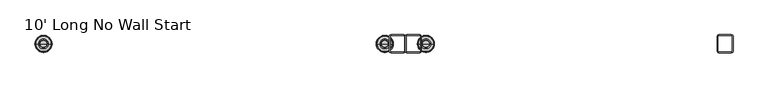
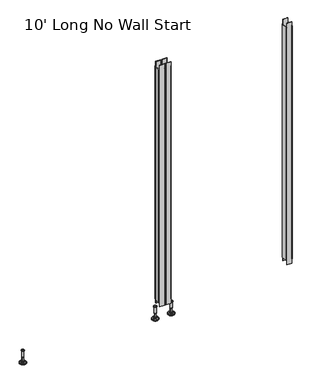
"""IFC4 building model written with IfcOpenShell, lengths in millimetres: furniture geometry, 10' Long No Wall Start."""

from ifc_helpers import new_model, si_unit, frame, origin, place, context, project, spatial, polyline, circle_curve, faceted_brep, source, transform, mapped, element, save
from ifc_brep_helpers import plane_surface, cylinder_surface, revolved_surface, advanced_brep


def furniture_10_long_no_wall_start_4a6857a3(model_context):
    return source(origin(), model_context, "Body", "SolidModel", [
        advanced_brep(
        [(1009.4635677, 0.0, 101.6), (1018.4414891, 0.0, 101.6), (1000.4856463, 0.0, 101.6), (995.3593278, 0.0, 0.0206943), (1023.5678076, 0.0, 0.0206943), (1009.4635677, 0.0, 0.0206943), (990.481296, 0.0, 1.4194474), (1028.4458394, 0.0, 1.4194474), (986.719381, 0.0, 4.7394056), (1032.2077544, 0.0, 4.7394056), (985.6019314, 0.0, 7.5051905), (1033.325204, 0.0, 7.5051905), (985.6019314, 0.0, 8.3065967), (1033.325204, 0.0, 8.3065967), (986.4443346, 0.0, 9.8469348), (1032.4828008, 0.0, 9.8469348), (987.5444772, 0.0, 10.8375077), (1031.3826582, 0.0, 10.8375077), (994.8481724, 0.0, 12.7338946), (1024.078963, 0.0, 12.7338946), (1002.2663238, 0.0, 13.3828987), (1016.6608116, 0.0, 13.3828987), (1002.2663238, 0.0, 14.1772758), (1016.6608116, 0.0, 14.1772758), (1004.6631166, 0.0, 14.1772758), (1014.2640188, 0.0, 14.1772758), (1004.6631166, 0.0, 18.8098403), (1014.2640188, 0.0, 18.8098403), (1003.647264, 0.0, 19.8256929), (1015.2798714, 0.0, 19.8256929), (1003.647264, 0.0, 48.3056352), (1015.2798714, 0.0, 48.3056352), (1002.4237361, 0.0, 49.9293116), (1016.5033993, 0.0, 49.9293116), (1002.4237361, 0.0, 97.327223), (1016.5033993, 0.0, 97.327223), (1001.5426317, 0.0, 97.6479188), (1017.3845037, 0.0, 97.6479188), (1000.4936428, 0.0, 97.6479188), (1018.4334926, 0.0, 97.6479188), (998.8286129, 0.0, 98.6092242), (1020.0985225, 0.0, 98.6092242), (998.8286129, 0.0, 100.6043539), (1020.0985225, 0.0, 100.6043539)],
        [
            (0, 1),
            (1, 2, circle_curve(frame((1009.4635677, 0.0, 101.6), z_axis=(0.0, 0.0, 1.0), x_axis=(1.0, 0.0, 0.0)), 8.9779214)),
            (2, 0),
            (2, 1, circle_curve(frame((1009.4635677, 0.0, 101.6), z_axis=(0.0, 0.0, 1.0), x_axis=(1.0, 0.0, 0.0)), 8.9779214)),
            (3, 4, circle_curve(frame((1009.4635677, 0.0, 0.0206943), z_axis=(0.0, 0.0, -1.0), x_axis=(1.0, 0.0, 0.0)), 14.1042399)),
            (4, 5),
            (5, 3),
            (4, 3, circle_curve(frame((1009.4635677, 0.0, 0.0206943), z_axis=(0.0, 0.0, -1.0), x_axis=(1.0, 0.0, 0.0)), 14.1042399)),
            (6, 7, circle_curve(frame((1009.4635677, 0.0, 1.4194474), z_axis=(0.0, 0.0, -1.0), x_axis=(1.0, 0.0, 0.0)), 18.9822717)),
            (7, 4),
            (3, 6),
            (7, 6, circle_curve(frame((1009.4635677, 0.0, 1.4194474), z_axis=(0.0, 0.0, -1.0), x_axis=(1.0, 0.0, 0.0)), 18.9822717)),
            (8, 9, circle_curve(frame((1009.4635677, 0.0, 4.7394056), z_axis=(0.0, 0.0, -1.0), x_axis=(1.0, 0.0, 0.0)), 22.7441867)),
            (9, 7),
            (6, 8),
            (9, 8, circle_curve(frame((1009.4635677, 0.0, 4.7394056), z_axis=(0.0, 0.0, -1.0), x_axis=(1.0, 0.0, 0.0)), 22.7441867)),
            (10, 11, circle_curve(frame((1009.4635677, 0.0, 7.5051905), z_axis=(0.0, 0.0, -1.0), x_axis=(1.0, 0.0, 0.0)), 23.8616363)),
            (11, 9),
            (8, 10),
            (11, 10, circle_curve(frame((1009.4635677, 0.0, 7.5051905), z_axis=(0.0, 0.0, -1.0), x_axis=(1.0, 0.0, 0.0)), 23.8616363)),
            (12, 13, circle_curve(frame((1009.4635677, 0.0, 8.3065967), z_axis=(0.0, 0.0, -1.0), x_axis=(1.0, 0.0, 0.0)), 23.8616363)),
            (13, 11),
            (10, 12),
            (13, 12, circle_curve(frame((1009.4635677, 0.0, 8.3065967), z_axis=(0.0, 0.0, -1.0), x_axis=(1.0, 0.0, 0.0)), 23.8616363)),
            (14, 15, circle_curve(frame((1009.4635677, 0.0, 9.8469348), z_axis=(0.0, 0.0, -1.0), x_axis=(1.0, 0.0, 0.0)), 23.0192331)),
            (15, 13),
            (12, 14),
            (15, 14, circle_curve(frame((1009.4635677, 0.0, 9.8469348), z_axis=(0.0, 0.0, -1.0), x_axis=(1.0, 0.0, 0.0)), 23.0192331)),
            (16, 17, circle_curve(frame((1009.4635677, 0.0, 10.8375077), z_axis=(0.0, 0.0, -1.0), x_axis=(1.0, 0.0, 0.0)), 21.9190905)),
            (17, 15),
            (14, 16),
            (17, 16, circle_curve(frame((1009.4635677, 0.0, 10.8375077), z_axis=(0.0, 0.0, -1.0), x_axis=(1.0, 0.0, 0.0)), 21.9190905)),
            (18, 19, circle_curve(frame((1009.4635677, 0.0, 12.7338946), z_axis=(0.0, 0.0, -1.0), x_axis=(1.0, 0.0, 0.0)), 14.6153953)),
            (19, 17),
            (16, 18),
            (19, 18, circle_curve(frame((1009.4635677, 0.0, 12.7338946), z_axis=(0.0, 0.0, -1.0), x_axis=(1.0, 0.0, 0.0)), 14.6153953)),
            (20, 21, circle_curve(frame((1009.4635677, 0.0, 13.3828987), z_axis=(0.0, 0.0, -1.0), x_axis=(1.0, 0.0, 0.0)), 7.1972439)),
            (21, 19),
            (18, 20),
            (21, 20, circle_curve(frame((1009.4635677, 0.0, 13.3828987), z_axis=(0.0, 0.0, -1.0), x_axis=(1.0, 0.0, 0.0)), 7.1972439)),
            (22, 23, circle_curve(frame((1009.4635677, 0.0, 14.1772758), z_axis=(0.0, 0.0, -1.0), x_axis=(1.0, 0.0, 0.0)), 7.1972439)),
            (23, 21),
            (20, 22),
            (23, 22, circle_curve(frame((1009.4635677, 0.0, 14.1772758), z_axis=(0.0, 0.0, -1.0), x_axis=(1.0, 0.0, 0.0)), 7.1972439)),
            (24, 25, circle_curve(frame((1009.4635677, 0.0, 14.1772758), z_axis=(0.0, 0.0, -1.0), x_axis=(1.0, 0.0, 0.0)), 4.8004511)),
            (25, 23),
            (22, 24),
            (25, 24, circle_curve(frame((1009.4635677, 0.0, 14.1772758), z_axis=(0.0, 0.0, -1.0), x_axis=(1.0, 0.0, 0.0)), 4.8004511)),
            (26, 27, circle_curve(frame((1009.4635677, 0.0, 18.8098403), z_axis=(0.0, 0.0, -1.0), x_axis=(1.0, 0.0, 0.0)), 4.8004511)),
            (27, 25),
            (24, 26),
            (27, 26, circle_curve(frame((1009.4635677, 0.0, 18.8098403), z_axis=(0.0, 0.0, -1.0), x_axis=(1.0, 0.0, 0.0)), 4.8004511)),
            (28, 29, circle_curve(frame((1009.4635677, 0.0, 19.8256929), z_axis=(0.0, 0.0, -1.0), x_axis=(1.0, 0.0, 0.0)), 5.8163037)),
            (29, 27),
            (26, 28),
            (29, 28, circle_curve(frame((1009.4635677, 0.0, 19.8256929), z_axis=(0.0, 0.0, -1.0), x_axis=(1.0, 0.0, 0.0)), 5.8163037)),
            (30, 31, circle_curve(frame((1009.4635677, 0.0, 48.3056352), z_axis=(0.0, 0.0, -1.0), x_axis=(1.0, 0.0, 0.0)), 5.8163037)),
            (31, 29),
            (28, 30),
            (31, 30, circle_curve(frame((1009.4635677, 0.0, 48.3056352), z_axis=(0.0, 0.0, -1.0), x_axis=(1.0, 0.0, 0.0)), 5.8163037)),
            (32, 33, circle_curve(frame((1009.4635677, 0.0, 49.9293116), z_axis=(0.0, 0.0, -1.0), x_axis=(1.0, 0.0, 0.0)), 7.0398316)),
            (33, 31),
            (30, 32),
            (33, 32, circle_curve(frame((1009.4635677, 0.0, 49.9293116), z_axis=(0.0, 0.0, -1.0), x_axis=(1.0, 0.0, 0.0)), 7.0398316)),
            (34, 35, circle_curve(frame((1009.4635677, 0.0, 97.327223), z_axis=(0.0, 0.0, -1.0), x_axis=(1.0, 0.0, 0.0)), 7.0398316)),
            (35, 33),
            (32, 34),
            (35, 34, circle_curve(frame((1009.4635677, 0.0, 97.327223), z_axis=(0.0, 0.0, -1.0), x_axis=(1.0, 0.0, 0.0)), 7.0398316)),
            (36, 37, circle_curve(frame((1009.4635677, 0.0, 97.6479188), z_axis=(0.0, 0.0, -1.0), x_axis=(1.0, 0.0, 0.0)), 7.920936)),
            (37, 35),
            (34, 36),
            (37, 36, circle_curve(frame((1009.4635677, 0.0, 97.6479188), z_axis=(0.0, 0.0, -1.0), x_axis=(1.0, 0.0, 0.0)), 7.920936)),
            (38, 39, circle_curve(frame((1009.4635677, 0.0, 97.6479188), z_axis=(0.0, 0.0, -1.0), x_axis=(1.0, 0.0, 0.0)), 8.9699249)),
            (39, 37),
            (36, 38),
            (39, 38, circle_curve(frame((1009.4635677, 0.0, 97.6479188), z_axis=(0.0, 0.0, -1.0), x_axis=(1.0, 0.0, 0.0)), 8.9699249)),
            (40, 41, circle_curve(frame((1009.4635677, 0.0, 98.6092242), z_axis=(0.0, 0.0, -1.0), x_axis=(1.0, 0.0, 0.0)), 10.6349548)),
            (41, 39),
            (38, 40),
            (41, 40, circle_curve(frame((1009.4635677, 0.0, 98.6092242), z_axis=(0.0, 0.0, -1.0), x_axis=(1.0, 0.0, 0.0)), 10.6349548)),
            (42, 43, circle_curve(frame((1009.4635677, 0.0, 100.6043539), z_axis=(0.0, 0.0, -1.0), x_axis=(1.0, 0.0, 0.0)), 10.6349548)),
            (43, 41),
            (40, 42),
            (43, 42, circle_curve(frame((1009.4635677, 0.0, 100.6043539), z_axis=(0.0, 0.0, -1.0), x_axis=(1.0, 0.0, 0.0)), 10.6349548)),
            (1, 43),
            (42, 2),
        ],
        [
            plane_surface(frame((1009.4635677, 0.0, 101.6), z_axis=(0.0, 0.0, 1.0), x_axis=(1.0, 0.0, 0.0))),
            plane_surface(frame((1009.4635677, 0.0, 0.0206943), z_axis=(0.0, 0.0, -1.0), x_axis=(1.0, 0.0, 0.0))),
            revolved_surface(polyline([(1023.5678076, 0.0, 0.0206943), (1028.4458394, 0.0, 1.4194474)]), (1009.4635677, 0.0, 101.6), (0.0, 0.0, 1.0)),
            revolved_surface(polyline([(1028.4458394, 0.0, 1.4194474), (1032.2077544, 0.0, 4.7394056)]), (1009.4635677, 0.0, 101.6), (0.0, 0.0, 1.0)),
            revolved_surface(polyline([(1032.2077544, 0.0, 4.7394056), (1033.325204, 0.0, 7.5051905)]), (1009.4635677, 0.0, 101.6), (0.0, 0.0, 1.0)),
            cylinder_surface(frame((1009.4635677, 0.0, 101.6), z_axis=(0.0, 0.0, 1.0), x_axis=(1.0, 0.0, 0.0)), 23.8616363),
            revolved_surface(polyline([(1033.325204, 0.0, 8.3065967), (1032.4828008, 0.0, 9.8469348)]), (1009.4635677, 0.0, 101.6), (0.0, 0.0, 1.0)),
            revolved_surface(polyline([(1032.4828008, 0.0, 9.8469348), (1031.3826582, 0.0, 10.8375077)]), (1009.4635677, 0.0, 101.6), (0.0, 0.0, 1.0)),
            revolved_surface(polyline([(1031.3826582, 0.0, 10.8375077), (1024.078963, 0.0, 12.7338946)]), (1009.4635677, 0.0, 101.6), (0.0, 0.0, 1.0)),
            revolved_surface(polyline([(1024.078963, 0.0, 12.7338946), (1016.6608116, 0.0, 13.3828987)]), (1009.4635677, 0.0, 101.6), (0.0, 0.0, 1.0)),
            cylinder_surface(frame((1009.4635677, 0.0, 101.6), z_axis=(0.0, 0.0, 1.0), x_axis=(1.0, 0.0, 0.0)), 7.1972439),
            plane_surface(frame((1009.4635677, 0.0, 14.1772758), z_axis=(0.0, 0.0, 1.0), x_axis=(1.0, 0.0, 0.0))),
            cylinder_surface(frame((1009.4635677, 0.0, 101.6), z_axis=(0.0, 0.0, 1.0), x_axis=(1.0, 0.0, 0.0)), 4.8004511),
            revolved_surface(polyline([(1014.2640188, 0.0, 18.8098403), (1015.2798714, 0.0, 19.8256929)]), (1009.4635677, 0.0, 101.6), (0.0, 0.0, 1.0)),
            cylinder_surface(frame((1009.4635677, 0.0, 101.6), z_axis=(0.0, 0.0, 1.0), x_axis=(1.0, 0.0, 0.0)), 5.8163037),
            revolved_surface(polyline([(1015.2798714, 0.0, 48.3056352), (1016.5033993, 0.0, 49.9293116)]), (1009.4635677, 0.0, 101.6), (0.0, 0.0, 1.0)),
            cylinder_surface(frame((1009.4635677, 0.0, 101.6), z_axis=(0.0, 0.0, 1.0), x_axis=(1.0, 0.0, 0.0)), 7.0398316),
            revolved_surface(polyline([(1016.5033993, 0.0, 97.327223), (1017.3845037, 0.0, 97.6479188)]), (1009.4635677, 0.0, 101.6), (0.0, 0.0, 1.0)),
            plane_surface(frame((1009.4635677, 0.0, 97.6479188), z_axis=(0.0, 0.0, -1.0), x_axis=(1.0, 0.0, 0.0))),
            revolved_surface(polyline([(1018.4334926, 0.0, 97.6479188), (1020.0985225, 0.0, 98.6092242)]), (1009.4635677, 0.0, 101.6), (0.0, 0.0, 1.0)),
            cylinder_surface(frame((1009.4635677, 0.0, 101.6), z_axis=(0.0, 0.0, 1.0), x_axis=(1.0, 0.0, 0.0)), 10.6349548),
            revolved_surface(polyline([(1020.0985225, 0.0, 100.6043539), (1018.4414891, 0.0, 101.6)]), (1009.4635677, 0.0, 101.6), (0.0, 0.0, 1.0)),
        ],
        [
            (0, [[1, 2, 3]]),
            (0, [[-3, 4, -1]]),
            (1, [[5, 6, 7]]),
            (1, [[8, -7, -6]]),
            (2, [[9, 10, -5, 11]]),
            (2, [[12, -11, -8, -10]]),
            (3, [[13, 14, -9, 15]]),
            (3, [[16, -15, -12, -14]]),
            (4, [[17, 18, -13, 19]]),
            (4, [[20, -19, -16, -18]]),
            (5, [[21, 22, -17, 23]]),
            (5, [[24, -23, -20, -22]]),
            (6, [[25, 26, -21, 27]]),
            (6, [[28, -27, -24, -26]]),
            (7, [[29, 30, -25, 31]]),
            (7, [[32, -31, -28, -30]]),
            (8, [[33, 34, -29, 35]]),
            (8, [[36, -35, -32, -34]]),
            (9, [[37, 38, -33, 39]]),
            (9, [[40, -39, -36, -38]]),
            (10, [[41, 42, -37, 43]]),
            (10, [[44, -43, -40, -42]]),
            (11, [[45, 46, -41, 47]]),
            (11, [[48, -47, -44, -46]]),
            (12, [[49, 50, -45, 51]]),
            (12, [[52, -51, -48, -50]]),
            (13, [[53, 54, -49, 55]]),
            (13, [[56, -55, -52, -54]]),
            (14, [[57, 58, -53, 59]]),
            (14, [[60, -59, -56, -58]]),
            (15, [[61, 62, -57, 63]]),
            (15, [[64, -63, -60, -62]]),
            (16, [[65, 66, -61, 67]]),
            (16, [[68, -67, -64, -66]]),
            (17, [[69, 70, -65, 71]]),
            (17, [[72, -71, -68, -70]]),
            (18, [[73, 74, -69, 75]]),
            (18, [[76, -75, -72, -74]]),
            (19, [[77, 78, -73, 79]]),
            (19, [[80, -79, -76, -78]]),
            (20, [[81, 82, -77, 83]]),
            (20, [[84, -83, -80, -82]]),
            (21, [[-2, 85, -81, 86]]),
            (21, [[-4, -86, -84, -85]]),
        ],
    ),
        advanced_brep(
        [(1124.1364323, 0.0, 101.6), (1133.1143537, 0.0, 101.6), (1115.1585109, 0.0, 101.6), (1138.2406722, 0.0, 0.0206943), (1124.1364323, 0.0, 0.0206943), (1110.0321924, 0.0, 0.0206943), (1143.118704, 0.0, 1.4194474), (1105.1541606, 0.0, 1.4194474), (1146.880619, 0.0, 4.7394056), (1101.3922456, 0.0, 4.7394056), (1147.9980686, 0.0, 7.5051905), (1100.274796, 0.0, 7.5051905), (1147.9980686, 0.0, 8.3065967), (1100.274796, 0.0, 8.3065967), (1147.1556654, 0.0, 9.8469348), (1101.1171992, 0.0, 9.8469348), (1146.0555228, 0.0, 10.8375077), (1102.2173418, 0.0, 10.8375077), (1138.7518276, 0.0, 12.7338946), (1109.521037, 0.0, 12.7338946), (1131.3336762, 0.0, 13.3828987), (1116.9391884, 0.0, 13.3828987), (1131.3336762, 0.0, 14.1772758), (1116.9391884, 0.0, 14.1772758), (1128.9368834, 0.0, 14.1772758), (1119.3359812, 0.0, 14.1772758), (1128.9368834, 0.0, 18.8098403), (1119.3359812, 0.0, 18.8098403), (1129.952736, 0.0, 19.8256929), (1118.3201286, 0.0, 19.8256929), (1129.952736, 0.0, 48.3056352), (1118.3201286, 0.0, 48.3056352), (1131.1762639, 0.0, 49.9293116), (1117.0966007, 0.0, 49.9293116), (1131.1762639, 0.0, 97.327223), (1117.0966007, 0.0, 97.327223), (1132.0573683, 0.0, 97.6479188), (1116.2154963, 0.0, 97.6479188), (1133.1063572, 0.0, 97.6479188), (1115.1665074, 0.0, 97.6479188), (1134.7713871, 0.0, 98.6092242), (1113.5014775, 0.0, 98.6092242), (1134.7713871, 0.0, 100.6043539), (1113.5014775, 0.0, 100.6043539)],
        [
            (0, 1),
            (1, 2, circle_curve(frame((1124.1364323, 0.0, 101.6), z_axis=(0.0, 0.0, 1.0), x_axis=(-1.0, 0.0, 0.0)), 8.9779214)),
            (2, 0),
            (2, 1, circle_curve(frame((1124.1364323, 0.0, 101.6), z_axis=(0.0, 0.0, 1.0), x_axis=(-1.0, 0.0, 0.0)), 8.9779214)),
            (3, 4),
            (4, 5),
            (5, 3, circle_curve(frame((1124.1364323, 0.0, 0.0206943), z_axis=(0.0, 0.0, -1.0), x_axis=(-1.0, 0.0, 0.0)), 14.1042399)),
            (3, 5, circle_curve(frame((1124.1364323, 0.0, 0.0206943), z_axis=(0.0, 0.0, -1.0), x_axis=(-1.0, 0.0, 0.0)), 14.1042399)),
            (6, 3),
            (5, 7),
            (7, 6, circle_curve(frame((1124.1364323, 0.0, 1.4194474), z_axis=(0.0, 0.0, -1.0), x_axis=(-1.0, 0.0, 0.0)), 18.9822717)),
            (6, 7, circle_curve(frame((1124.1364323, 0.0, 1.4194474), z_axis=(0.0, 0.0, -1.0), x_axis=(-1.0, 0.0, 0.0)), 18.9822717)),
            (8, 6),
            (7, 9),
            (9, 8, circle_curve(frame((1124.1364323, 0.0, 4.7394056), z_axis=(0.0, 0.0, -1.0), x_axis=(-1.0, 0.0, 0.0)), 22.7441867)),
            (8, 9, circle_curve(frame((1124.1364323, 0.0, 4.7394056), z_axis=(0.0, 0.0, -1.0), x_axis=(-1.0, 0.0, 0.0)), 22.7441867)),
            (10, 8),
            (9, 11),
            (11, 10, circle_curve(frame((1124.1364323, 0.0, 7.5051905), z_axis=(0.0, 0.0, -1.0), x_axis=(-1.0, 0.0, 0.0)), 23.8616363)),
            (10, 11, circle_curve(frame((1124.1364323, 0.0, 7.5051905), z_axis=(0.0, 0.0, -1.0), x_axis=(-1.0, 0.0, 0.0)), 23.8616363)),
            (12, 10),
            (11, 13),
            (13, 12, circle_curve(frame((1124.1364323, 0.0, 8.3065967), z_axis=(0.0, 0.0, -1.0), x_axis=(-1.0, 0.0, 0.0)), 23.8616363)),
            (12, 13, circle_curve(frame((1124.1364323, 0.0, 8.3065967), z_axis=(0.0, 0.0, -1.0), x_axis=(-1.0, 0.0, 0.0)), 23.8616363)),
            (14, 12),
            (13, 15),
            (15, 14, circle_curve(frame((1124.1364323, 0.0, 9.8469348), z_axis=(0.0, 0.0, -1.0), x_axis=(-1.0, 0.0, 0.0)), 23.0192331)),
            (14, 15, circle_curve(frame((1124.1364323, 0.0, 9.8469348), z_axis=(0.0, 0.0, -1.0), x_axis=(-1.0, 0.0, 0.0)), 23.0192331)),
            (16, 14),
            (15, 17),
            (17, 16, circle_curve(frame((1124.1364323, 0.0, 10.8375077), z_axis=(0.0, 0.0, -1.0), x_axis=(-1.0, 0.0, 0.0)), 21.9190905)),
            (16, 17, circle_curve(frame((1124.1364323, 0.0, 10.8375077), z_axis=(0.0, 0.0, -1.0), x_axis=(-1.0, 0.0, 0.0)), 21.9190905)),
            (18, 16),
            (17, 19),
            (19, 18, circle_curve(frame((1124.1364323, 0.0, 12.7338946), z_axis=(0.0, 0.0, -1.0), x_axis=(-1.0, 0.0, 0.0)), 14.6153953)),
            (18, 19, circle_curve(frame((1124.1364323, 0.0, 12.7338946), z_axis=(0.0, 0.0, -1.0), x_axis=(-1.0, 0.0, 0.0)), 14.6153953)),
            (20, 18),
            (19, 21),
            (21, 20, circle_curve(frame((1124.1364323, 0.0, 13.3828987), z_axis=(0.0, 0.0, -1.0), x_axis=(-1.0, 0.0, 0.0)), 7.1972439)),
            (20, 21, circle_curve(frame((1124.1364323, 0.0, 13.3828987), z_axis=(0.0, 0.0, -1.0), x_axis=(-1.0, 0.0, 0.0)), 7.1972439)),
            (22, 20),
            (21, 23),
            (23, 22, circle_curve(frame((1124.1364323, 0.0, 14.1772758), z_axis=(0.0, 0.0, -1.0), x_axis=(-1.0, 0.0, 0.0)), 7.1972439)),
            (22, 23, circle_curve(frame((1124.1364323, 0.0, 14.1772758), z_axis=(0.0, 0.0, -1.0), x_axis=(-1.0, 0.0, 0.0)), 7.1972439)),
            (24, 22),
            (23, 25),
            (25, 24, circle_curve(frame((1124.1364323, 0.0, 14.1772758), z_axis=(0.0, 0.0, -1.0), x_axis=(-1.0, 0.0, 0.0)), 4.8004511)),
            (24, 25, circle_curve(frame((1124.1364323, 0.0, 14.1772758), z_axis=(0.0, 0.0, -1.0), x_axis=(-1.0, 0.0, 0.0)), 4.8004511)),
            (26, 24),
            (25, 27),
            (27, 26, circle_curve(frame((1124.1364323, 0.0, 18.8098403), z_axis=(0.0, 0.0, -1.0), x_axis=(-1.0, 0.0, 0.0)), 4.8004511)),
            (26, 27, circle_curve(frame((1124.1364323, 0.0, 18.8098403), z_axis=(0.0, 0.0, -1.0), x_axis=(-1.0, 0.0, 0.0)), 4.8004511)),
            (28, 26),
            (27, 29),
            (29, 28, circle_curve(frame((1124.1364323, 0.0, 19.8256929), z_axis=(0.0, 0.0, -1.0), x_axis=(-1.0, 0.0, 0.0)), 5.8163037)),
            (28, 29, circle_curve(frame((1124.1364323, 0.0, 19.8256929), z_axis=(0.0, 0.0, -1.0), x_axis=(-1.0, 0.0, 0.0)), 5.8163037)),
            (30, 28),
            (29, 31),
            (31, 30, circle_curve(frame((1124.1364323, 0.0, 48.3056352), z_axis=(0.0, 0.0, -1.0), x_axis=(-1.0, 0.0, 0.0)), 5.8163037)),
            (30, 31, circle_curve(frame((1124.1364323, 0.0, 48.3056352), z_axis=(0.0, 0.0, -1.0), x_axis=(-1.0, 0.0, 0.0)), 5.8163037)),
            (32, 30),
            (31, 33),
            (33, 32, circle_curve(frame((1124.1364323, 0.0, 49.9293116), z_axis=(0.0, 0.0, -1.0), x_axis=(-1.0, 0.0, 0.0)), 7.0398316)),
            (32, 33, circle_curve(frame((1124.1364323, 0.0, 49.9293116), z_axis=(0.0, 0.0, -1.0), x_axis=(-1.0, 0.0, 0.0)), 7.0398316)),
            (34, 32),
            (33, 35),
            (35, 34, circle_curve(frame((1124.1364323, 0.0, 97.327223), z_axis=(0.0, 0.0, -1.0), x_axis=(-1.0, 0.0, 0.0)), 7.0398316)),
            (34, 35, circle_curve(frame((1124.1364323, 0.0, 97.327223), z_axis=(0.0, 0.0, -1.0), x_axis=(-1.0, 0.0, 0.0)), 7.0398316)),
            (36, 34),
            (35, 37),
            (37, 36, circle_curve(frame((1124.1364323, 0.0, 97.6479188), z_axis=(0.0, 0.0, -1.0), x_axis=(-1.0, 0.0, 0.0)), 7.920936)),
            (36, 37, circle_curve(frame((1124.1364323, 0.0, 97.6479188), z_axis=(0.0, 0.0, -1.0), x_axis=(-1.0, 0.0, 0.0)), 7.920936)),
            (38, 36),
            (37, 39),
            (39, 38, circle_curve(frame((1124.1364323, 0.0, 97.6479188), z_axis=(0.0, 0.0, -1.0), x_axis=(-1.0, 0.0, 0.0)), 8.9699249)),
            (38, 39, circle_curve(frame((1124.1364323, 0.0, 97.6479188), z_axis=(0.0, 0.0, -1.0), x_axis=(-1.0, 0.0, 0.0)), 8.9699249)),
            (40, 38),
            (39, 41),
            (41, 40, circle_curve(frame((1124.1364323, 0.0, 98.6092242), z_axis=(0.0, 0.0, -1.0), x_axis=(-1.0, 0.0, 0.0)), 10.6349548)),
            (40, 41, circle_curve(frame((1124.1364323, 0.0, 98.6092242), z_axis=(0.0, 0.0, -1.0), x_axis=(-1.0, 0.0, 0.0)), 10.6349548)),
            (42, 40),
            (41, 43),
            (43, 42, circle_curve(frame((1124.1364323, 0.0, 100.6043539), z_axis=(0.0, 0.0, -1.0), x_axis=(-1.0, 0.0, 0.0)), 10.6349548)),
            (42, 43, circle_curve(frame((1124.1364323, 0.0, 100.6043539), z_axis=(0.0, 0.0, -1.0), x_axis=(-1.0, 0.0, 0.0)), 10.6349548)),
            (1, 42),
            (43, 2),
        ],
        [
            plane_surface(frame((1124.1364323, 0.0, 101.6), z_axis=(0.0, 0.0, 1.0), x_axis=(-1.0, 0.0, 0.0))),
            plane_surface(frame((1124.1364323, 0.0, 0.0206943), z_axis=(0.0, 0.0, -1.0), x_axis=(-1.0, 0.0, 0.0))),
            revolved_surface(polyline([(1110.0321924, 0.0, 0.0206943), (1105.1541606, 0.0, 1.4194474)]), (1124.1364323, 0.0, 101.6), (0.0, 0.0, 1.0)),
            revolved_surface(polyline([(1105.1541606, 0.0, 1.4194474), (1101.3922456, 0.0, 4.7394056)]), (1124.1364323, 0.0, 101.6), (0.0, 0.0, 1.0)),
            revolved_surface(polyline([(1101.3922456, 0.0, 4.7394056), (1100.274796, 0.0, 7.5051905)]), (1124.1364323, 0.0, 101.6), (0.0, 0.0, 1.0)),
            cylinder_surface(frame((1124.1364323, 0.0, 101.6), z_axis=(0.0, 0.0, 1.0), x_axis=(-1.0, 0.0, 0.0)), 23.8616363),
            revolved_surface(polyline([(1100.274796, 0.0, 8.3065967), (1101.1171992, 0.0, 9.8469348)]), (1124.1364323, 0.0, 101.6), (0.0, 0.0, 1.0)),
            revolved_surface(polyline([(1101.1171992, 0.0, 9.8469348), (1102.2173418, 0.0, 10.8375077)]), (1124.1364323, 0.0, 101.6), (0.0, 0.0, 1.0)),
            revolved_surface(polyline([(1102.2173418, 0.0, 10.8375077), (1109.521037, 0.0, 12.7338946)]), (1124.1364323, 0.0, 101.6), (0.0, 0.0, 1.0)),
            revolved_surface(polyline([(1109.521037, 0.0, 12.7338946), (1116.9391884, 0.0, 13.3828987)]), (1124.1364323, 0.0, 101.6), (0.0, 0.0, 1.0)),
            cylinder_surface(frame((1124.1364323, 0.0, 101.6), z_axis=(0.0, 0.0, 1.0), x_axis=(-1.0, 0.0, 0.0)), 7.1972439),
            plane_surface(frame((1124.1364323, 0.0, 14.1772758), z_axis=(0.0, 0.0, 1.0), x_axis=(-1.0, 0.0, 0.0))),
            cylinder_surface(frame((1124.1364323, 0.0, 101.6), z_axis=(0.0, 0.0, 1.0), x_axis=(-1.0, 0.0, 0.0)), 4.8004511),
            revolved_surface(polyline([(1119.3359812, 0.0, 18.8098403), (1118.3201286, 0.0, 19.8256929)]), (1124.1364323, 0.0, 101.6), (0.0, 0.0, 1.0)),
            cylinder_surface(frame((1124.1364323, 0.0, 101.6), z_axis=(0.0, 0.0, 1.0), x_axis=(-1.0, 0.0, 0.0)), 5.8163037),
            revolved_surface(polyline([(1118.3201286, 0.0, 48.3056352), (1117.0966007, 0.0, 49.9293116)]), (1124.1364323, 0.0, 101.6), (0.0, 0.0, 1.0)),
            cylinder_surface(frame((1124.1364323, 0.0, 101.6), z_axis=(0.0, 0.0, 1.0), x_axis=(-1.0, 0.0, 0.0)), 7.0398316),
            revolved_surface(polyline([(1117.0966007, 0.0, 97.327223), (1116.2154963, 0.0, 97.6479188)]), (1124.1364323, 0.0, 101.6), (0.0, 0.0, 1.0)),
            plane_surface(frame((1124.1364323, 0.0, 97.6479188), z_axis=(0.0, 0.0, -1.0), x_axis=(-1.0, 0.0, 0.0))),
            revolved_surface(polyline([(1115.1665074, 0.0, 97.6479188), (1113.5014775, 0.0, 98.6092242)]), (1124.1364323, 0.0, 101.6), (0.0, 0.0, 1.0)),
            cylinder_surface(frame((1124.1364323, 0.0, 101.6), z_axis=(0.0, 0.0, 1.0), x_axis=(-1.0, 0.0, 0.0)), 10.6349548),
            revolved_surface(polyline([(1113.5014775, 0.0, 100.6043539), (1115.1585109, 0.0, 101.6)]), (1124.1364323, 0.0, 101.6), (0.0, 0.0, 1.0)),
        ],
        [
            (0, [[1, 2, 3]]),
            (0, [[-3, 4, -1]]),
            (1, [[5, 6, 7]]),
            (1, [[-6, -5, 8]]),
            (2, [[9, -7, 10, 11]]),
            (2, [[-10, -8, -9, 12]]),
            (3, [[13, -11, 14, 15]]),
            (3, [[-14, -12, -13, 16]]),
            (4, [[17, -15, 18, 19]]),
            (4, [[-18, -16, -17, 20]]),
            (5, [[21, -19, 22, 23]]),
            (5, [[-22, -20, -21, 24]]),
            (6, [[25, -23, 26, 27]]),
            (6, [[-26, -24, -25, 28]]),
            (7, [[29, -27, 30, 31]]),
            (7, [[-30, -28, -29, 32]]),
            (8, [[33, -31, 34, 35]]),
            (8, [[-34, -32, -33, 36]]),
            (9, [[37, -35, 38, 39]]),
            (9, [[-38, -36, -37, 40]]),
            (10, [[41, -39, 42, 43]]),
            (10, [[-42, -40, -41, 44]]),
            (11, [[45, -43, 46, 47]]),
            (11, [[-46, -44, -45, 48]]),
            (12, [[49, -47, 50, 51]]),
            (12, [[-50, -48, -49, 52]]),
            (13, [[53, -51, 54, 55]]),
            (13, [[-54, -52, -53, 56]]),
            (14, [[57, -55, 58, 59]]),
            (14, [[-58, -56, -57, 60]]),
            (15, [[61, -59, 62, 63]]),
            (15, [[-62, -60, -61, 64]]),
            (16, [[65, -63, 66, 67]]),
            (16, [[-66, -64, -65, 68]]),
            (17, [[69, -67, 70, 71]]),
            (17, [[-70, -68, -69, 72]]),
            (18, [[73, -71, 74, 75]]),
            (18, [[-74, -72, -73, 76]]),
            (19, [[77, -75, 78, 79]]),
            (19, [[-78, -76, -77, 80]]),
            (20, [[81, -79, 82, 83]]),
            (20, [[-82, -80, -81, 84]]),
            (21, [[85, -83, 86, -2]]),
            (21, [[-86, -84, -85, -4]]),
        ],
    ),
        advanced_brep(
        [(57.0627865, 0.0, 101.6), (66.0407079, 0.0, 101.6), (48.084865, 0.0, 101.6), (42.9585465, 0.0, 0.0206943), (71.1670264, 0.0, 0.0206943), (57.0627865, 0.0, 0.0206943), (38.0805148, 0.0, 1.4194474), (76.0450581, 0.0, 1.4194474), (34.3185997, 0.0, 4.7394056), (79.8069732, 0.0, 4.7394056), (33.2011501, 0.0, 7.5051905), (80.9244228, 0.0, 7.5051905), (33.2011501, 0.0, 8.3065967), (80.9244228, 0.0, 8.3065967), (34.0435533, 0.0, 9.8469348), (80.0820196, 0.0, 9.8469348), (35.143696, 0.0, 10.8375077), (78.9818769, 0.0, 10.8375077), (42.4473912, 0.0, 12.7338946), (71.6781817, 0.0, 12.7338946), (49.8655426, 0.0, 13.3828987), (64.2600304, 0.0, 13.3828987), (49.8655426, 0.0, 14.1772758), (64.2600304, 0.0, 14.1772758), (52.2623354, 0.0, 14.1772758), (61.8632375, 0.0, 14.1772758), (52.2623354, 0.0, 18.8098403), (61.8632375, 0.0, 18.8098403), (51.2464827, 0.0, 19.8256929), (62.8790902, 0.0, 19.8256929), (51.2464827, 0.0, 48.3056352), (62.8790902, 0.0, 48.3056352), (50.0229548, 0.0, 49.9293116), (64.1026181, 0.0, 49.9293116), (50.0229548, 0.0, 97.327223), (64.1026181, 0.0, 97.327223), (49.1418505, 0.0, 97.6479188), (64.9837224, 0.0, 97.6479188), (48.0928615, 0.0, 97.6479188), (66.0327114, 0.0, 97.6479188), (46.4278316, 0.0, 98.6092242), (67.6977413, 0.0, 98.6092242), (46.4278316, 0.0, 100.6043539), (67.6977413, 0.0, 100.6043539)],
        [
            (0, 1),
            (1, 2, circle_curve(frame((57.0627865, 0.0, 101.6), z_axis=(0.0, 0.0, 1.0), x_axis=(1.0, 0.0, 0.0)), 8.9779214)),
            (2, 0),
            (2, 1, circle_curve(frame((57.0627865, 0.0, 101.6), z_axis=(0.0, 0.0, 1.0), x_axis=(1.0, 0.0, 0.0)), 8.9779214)),
            (3, 4, circle_curve(frame((57.0627865, 0.0, 0.0206943), z_axis=(0.0, 0.0, -1.0), x_axis=(1.0, 0.0, 0.0)), 14.1042399)),
            (4, 5),
            (5, 3),
            (4, 3, circle_curve(frame((57.0627865, 0.0, 0.0206943), z_axis=(0.0, 0.0, -1.0), x_axis=(1.0, 0.0, 0.0)), 14.1042399)),
            (6, 7, circle_curve(frame((57.0627865, 0.0, 1.4194474), z_axis=(0.0, 0.0, -1.0), x_axis=(1.0, 0.0, 0.0)), 18.9822717)),
            (7, 4),
            (3, 6),
            (7, 6, circle_curve(frame((57.0627865, 0.0, 1.4194474), z_axis=(0.0, 0.0, -1.0), x_axis=(1.0, 0.0, 0.0)), 18.9822717)),
            (8, 9, circle_curve(frame((57.0627865, 0.0, 4.7394056), z_axis=(0.0, 0.0, -1.0), x_axis=(1.0, 0.0, 0.0)), 22.7441867)),
            (9, 7),
            (6, 8),
            (9, 8, circle_curve(frame((57.0627865, 0.0, 4.7394056), z_axis=(0.0, 0.0, -1.0), x_axis=(1.0, 0.0, 0.0)), 22.7441867)),
            (10, 11, circle_curve(frame((57.0627865, 0.0, 7.5051905), z_axis=(0.0, 0.0, -1.0), x_axis=(1.0, 0.0, 0.0)), 23.8616363)),
            (11, 9),
            (8, 10),
            (11, 10, circle_curve(frame((57.0627865, 0.0, 7.5051905), z_axis=(0.0, 0.0, -1.0), x_axis=(1.0, 0.0, 0.0)), 23.8616363)),
            (12, 13, circle_curve(frame((57.0627865, 0.0, 8.3065967), z_axis=(0.0, 0.0, -1.0), x_axis=(1.0, 0.0, 0.0)), 23.8616363)),
            (13, 11),
            (10, 12),
            (13, 12, circle_curve(frame((57.0627865, 0.0, 8.3065967), z_axis=(0.0, 0.0, -1.0), x_axis=(1.0, 0.0, 0.0)), 23.8616363)),
            (14, 15, circle_curve(frame((57.0627865, 0.0, 9.8469348), z_axis=(0.0, 0.0, -1.0), x_axis=(1.0, 0.0, 0.0)), 23.0192331)),
            (15, 13),
            (12, 14),
            (15, 14, circle_curve(frame((57.0627865, 0.0, 9.8469348), z_axis=(0.0, 0.0, -1.0), x_axis=(1.0, 0.0, 0.0)), 23.0192331)),
            (16, 17, circle_curve(frame((57.0627865, 0.0, 10.8375077), z_axis=(0.0, 0.0, -1.0), x_axis=(1.0, 0.0, 0.0)), 21.9190905)),
            (17, 15),
            (14, 16),
            (17, 16, circle_curve(frame((57.0627865, 0.0, 10.8375077), z_axis=(0.0, 0.0, -1.0), x_axis=(1.0, 0.0, 0.0)), 21.9190905)),
            (18, 19, circle_curve(frame((57.0627865, 0.0, 12.7338946), z_axis=(0.0, 0.0, -1.0), x_axis=(1.0, 0.0, 0.0)), 14.6153953)),
            (19, 17),
            (16, 18),
            (19, 18, circle_curve(frame((57.0627865, 0.0, 12.7338946), z_axis=(0.0, 0.0, -1.0), x_axis=(1.0, 0.0, 0.0)), 14.6153953)),
            (20, 21, circle_curve(frame((57.0627865, 0.0, 13.3828987), z_axis=(0.0, 0.0, -1.0), x_axis=(1.0, 0.0, 0.0)), 7.1972439)),
            (21, 19),
            (18, 20),
            (21, 20, circle_curve(frame((57.0627865, 0.0, 13.3828987), z_axis=(0.0, 0.0, -1.0), x_axis=(1.0, 0.0, 0.0)), 7.1972439)),
            (22, 23, circle_curve(frame((57.0627865, 0.0, 14.1772758), z_axis=(0.0, 0.0, -1.0), x_axis=(1.0, 0.0, 0.0)), 7.1972439)),
            (23, 21),
            (20, 22),
            (23, 22, circle_curve(frame((57.0627865, 0.0, 14.1772758), z_axis=(0.0, 0.0, -1.0), x_axis=(1.0, 0.0, 0.0)), 7.1972439)),
            (24, 25, circle_curve(frame((57.0627865, 0.0, 14.1772758), z_axis=(0.0, 0.0, -1.0), x_axis=(1.0, 0.0, 0.0)), 4.8004511)),
            (25, 23),
            (22, 24),
            (25, 24, circle_curve(frame((57.0627865, 0.0, 14.1772758), z_axis=(0.0, 0.0, -1.0), x_axis=(1.0, 0.0, 0.0)), 4.8004511)),
            (26, 27, circle_curve(frame((57.0627865, 0.0, 18.8098403), z_axis=(0.0, 0.0, -1.0), x_axis=(1.0, 0.0, 0.0)), 4.8004511)),
            (27, 25),
            (24, 26),
            (27, 26, circle_curve(frame((57.0627865, 0.0, 18.8098403), z_axis=(0.0, 0.0, -1.0), x_axis=(1.0, 0.0, 0.0)), 4.8004511)),
            (28, 29, circle_curve(frame((57.0627865, 0.0, 19.8256929), z_axis=(0.0, 0.0, -1.0), x_axis=(1.0, 0.0, 0.0)), 5.8163037)),
            (29, 27),
            (26, 28),
            (29, 28, circle_curve(frame((57.0627865, 0.0, 19.8256929), z_axis=(0.0, 0.0, -1.0), x_axis=(1.0, 0.0, 0.0)), 5.8163037)),
            (30, 31, circle_curve(frame((57.0627865, 0.0, 48.3056352), z_axis=(0.0, 0.0, -1.0), x_axis=(1.0, 0.0, 0.0)), 5.8163037)),
            (31, 29),
            (28, 30),
            (31, 30, circle_curve(frame((57.0627865, 0.0, 48.3056352), z_axis=(0.0, 0.0, -1.0), x_axis=(1.0, 0.0, 0.0)), 5.8163037)),
            (32, 33, circle_curve(frame((57.0627865, 0.0, 49.9293116), z_axis=(0.0, 0.0, -1.0), x_axis=(1.0, 0.0, 0.0)), 7.0398316)),
            (33, 31),
            (30, 32),
            (33, 32, circle_curve(frame((57.0627865, 0.0, 49.9293116), z_axis=(0.0, 0.0, -1.0), x_axis=(1.0, 0.0, 0.0)), 7.0398316)),
            (34, 35, circle_curve(frame((57.0627865, 0.0, 97.327223), z_axis=(0.0, 0.0, -1.0), x_axis=(1.0, 0.0, 0.0)), 7.0398316)),
            (35, 33),
            (32, 34),
            (35, 34, circle_curve(frame((57.0627865, 0.0, 97.327223), z_axis=(0.0, 0.0, -1.0), x_axis=(1.0, 0.0, 0.0)), 7.0398316)),
            (36, 37, circle_curve(frame((57.0627865, 0.0, 97.6479188), z_axis=(0.0, 0.0, -1.0), x_axis=(1.0, 0.0, 0.0)), 7.920936)),
            (37, 35),
            (34, 36),
            (37, 36, circle_curve(frame((57.0627865, 0.0, 97.6479188), z_axis=(0.0, 0.0, -1.0), x_axis=(1.0, 0.0, 0.0)), 7.920936)),
            (38, 39, circle_curve(frame((57.0627865, 0.0, 97.6479188), z_axis=(0.0, 0.0, -1.0), x_axis=(1.0, 0.0, 0.0)), 8.9699249)),
            (39, 37),
            (36, 38),
            (39, 38, circle_curve(frame((57.0627865, 0.0, 97.6479188), z_axis=(0.0, 0.0, -1.0), x_axis=(1.0, 0.0, 0.0)), 8.9699249)),
            (40, 41, circle_curve(frame((57.0627865, 0.0, 98.6092242), z_axis=(0.0, 0.0, -1.0), x_axis=(1.0, 0.0, 0.0)), 10.6349548)),
            (41, 39),
            (38, 40),
            (41, 40, circle_curve(frame((57.0627865, 0.0, 98.6092242), z_axis=(0.0, 0.0, -1.0), x_axis=(1.0, 0.0, 0.0)), 10.6349548)),
            (42, 43, circle_curve(frame((57.0627865, 0.0, 100.6043539), z_axis=(0.0, 0.0, -1.0), x_axis=(1.0, 0.0, 0.0)), 10.6349548)),
            (43, 41),
            (40, 42),
            (43, 42, circle_curve(frame((57.0627865, 0.0, 100.6043539), z_axis=(0.0, 0.0, -1.0), x_axis=(1.0, 0.0, 0.0)), 10.6349548)),
            (1, 43),
            (42, 2),
        ],
        [
            plane_surface(frame((57.0627865, 0.0, 101.6), z_axis=(0.0, 0.0, 1.0), x_axis=(1.0, 0.0, 0.0))),
            plane_surface(frame((57.0627865, 0.0, 0.0206943), z_axis=(0.0, 0.0, -1.0), x_axis=(1.0, 0.0, 0.0))),
            revolved_surface(polyline([(71.1670264, 0.0, 0.0206943), (76.0450581, 0.0, 1.4194474)]), (57.0627865, 0.0, 101.6), (0.0, 0.0, 1.0)),
            revolved_surface(polyline([(76.0450581, 0.0, 1.4194474), (79.8069732, 0.0, 4.7394056)]), (57.0627865, 0.0, 101.6), (0.0, 0.0, 1.0)),
            revolved_surface(polyline([(79.8069732, 0.0, 4.7394056), (80.9244228, 0.0, 7.5051905)]), (57.0627865, 0.0, 101.6), (0.0, 0.0, 1.0)),
            cylinder_surface(frame((57.0627865, 0.0, 101.6), z_axis=(0.0, 0.0, 1.0), x_axis=(1.0, 0.0, 0.0)), 23.8616363),
            revolved_surface(polyline([(80.9244228, 0.0, 8.3065967), (80.0820196, 0.0, 9.8469348)]), (57.0627865, 0.0, 101.6), (0.0, 0.0, 1.0)),
            revolved_surface(polyline([(80.0820196, 0.0, 9.8469348), (78.9818769, 0.0, 10.8375077)]), (57.0627865, 0.0, 101.6), (0.0, 0.0, 1.0)),
            revolved_surface(polyline([(78.9818769, 0.0, 10.8375077), (71.6781817, 0.0, 12.7338946)]), (57.0627865, 0.0, 101.6), (0.0, 0.0, 1.0)),
            revolved_surface(polyline([(71.6781817, 0.0, 12.7338946), (64.2600304, 0.0, 13.3828987)]), (57.0627865, 0.0, 101.6), (0.0, 0.0, 1.0)),
            cylinder_surface(frame((57.0627865, 0.0, 101.6), z_axis=(0.0, 0.0, 1.0), x_axis=(1.0, 0.0, 0.0)), 7.1972439),
            plane_surface(frame((57.0627865, 0.0, 14.1772758), z_axis=(0.0, 0.0, 1.0), x_axis=(1.0, 0.0, 0.0))),
            cylinder_surface(frame((57.0627865, 0.0, 101.6), z_axis=(0.0, 0.0, 1.0), x_axis=(1.0, 0.0, 0.0)), 4.8004511),
            revolved_surface(polyline([(61.8632375, 0.0, 18.8098403), (62.8790902, 0.0, 19.8256929)]), (57.0627865, 0.0, 101.6), (0.0, 0.0, 1.0)),
            cylinder_surface(frame((57.0627865, 0.0, 101.6), z_axis=(0.0, 0.0, 1.0), x_axis=(1.0, 0.0, 0.0)), 5.8163037),
            revolved_surface(polyline([(62.8790902, 0.0, 48.3056352), (64.1026181, 0.0, 49.9293116)]), (57.0627865, 0.0, 101.6), (0.0, 0.0, 1.0)),
            cylinder_surface(frame((57.0627865, 0.0, 101.6), z_axis=(0.0, 0.0, 1.0), x_axis=(1.0, 0.0, 0.0)), 7.0398316),
            revolved_surface(polyline([(64.1026181, 0.0, 97.327223), (64.9837224, 0.0, 97.6479188)]), (57.0627865, 0.0, 101.6), (0.0, 0.0, 1.0)),
            plane_surface(frame((57.0627865, 0.0, 97.6479188), z_axis=(0.0, 0.0, -1.0), x_axis=(1.0, 0.0, 0.0))),
            revolved_surface(polyline([(66.0327114, 0.0, 97.6479188), (67.6977413, 0.0, 98.6092242)]), (57.0627865, 0.0, 101.6), (0.0, 0.0, 1.0)),
            cylinder_surface(frame((57.0627865, 0.0, 101.6), z_axis=(0.0, 0.0, 1.0), x_axis=(1.0, 0.0, 0.0)), 10.6349548),
            revolved_surface(polyline([(67.6977413, 0.0, 100.6043539), (66.0407079, 0.0, 101.6)]), (57.0627865, 0.0, 101.6), (0.0, 0.0, 1.0)),
        ],
        [
            (0, [[1, 2, 3]]),
            (0, [[-3, 4, -1]]),
            (1, [[5, 6, 7]]),
            (1, [[8, -7, -6]]),
            (2, [[9, 10, -5, 11]]),
            (2, [[12, -11, -8, -10]]),
            (3, [[13, 14, -9, 15]]),
            (3, [[16, -15, -12, -14]]),
            (4, [[17, 18, -13, 19]]),
            (4, [[20, -19, -16, -18]]),
            (5, [[21, 22, -17, 23]]),
            (5, [[24, -23, -20, -22]]),
            (6, [[25, 26, -21, 27]]),
            (6, [[28, -27, -24, -26]]),
            (7, [[29, 30, -25, 31]]),
            (7, [[32, -31, -28, -30]]),
            (8, [[33, 34, -29, 35]]),
            (8, [[36, -35, -32, -34]]),
            (9, [[37, 38, -33, 39]]),
            (9, [[40, -39, -36, -38]]),
            (10, [[41, 42, -37, 43]]),
            (10, [[44, -43, -40, -42]]),
            (11, [[45, 46, -41, 47]]),
            (11, [[48, -47, -44, -46]]),
            (12, [[49, 50, -45, 51]]),
            (12, [[52, -51, -48, -50]]),
            (13, [[53, 54, -49, 55]]),
            (13, [[56, -55, -52, -54]]),
            (14, [[57, 58, -53, 59]]),
            (14, [[60, -59, -56, -58]]),
            (15, [[61, 62, -57, 63]]),
            (15, [[64, -63, -60, -62]]),
            (16, [[65, 66, -61, 67]]),
            (16, [[68, -67, -64, -66]]),
            (17, [[69, 70, -65, 71]]),
            (17, [[72, -71, -68, -70]]),
            (18, [[73, 74, -69, 75]]),
            (18, [[76, -75, -72, -74]]),
            (19, [[77, 78, -73, 79]]),
            (19, [[80, -79, -76, -78]]),
            (20, [[81, 82, -77, 83]]),
            (20, [[84, -83, -80, -82]]),
            (21, [[-2, 85, -81, 86]]),
            (21, [[-4, -86, -84, -85]]),
        ],
    ),
        faceted_brep([(1071.2958, 25.4, 1937.6408515), (1071.2958, 23.1181008, 1937.6408515), (1071.7151471, 23.2918, 1937.6408515), (1106.3348529, 23.2918, 1937.6408515), (1106.7542, 23.1181008, 1937.6408515), (1106.7542, 25.4, 1937.6408515), (1106.7542, -25.4, 1937.6408515), (1106.7542, -23.1181008, 1937.6408515), (1106.3348529, -23.2918, 1937.6408515), (1071.7151471, -23.2918, 1937.6408515), (1071.2958, -23.1181008, 1937.6408515), (1071.2958, -25.4, 1937.6408515), (1071.2958, -25.4, 104.7768515), (1071.2958, -23.1181008, 104.7768515), (1071.7151471, -23.2918, 104.7768515), (1106.3348529, -23.2918, 104.7768515), (1106.7542, -23.1181008, 104.7768515), (1106.7542, -25.4, 104.7768515), (1106.7542, 25.4, 104.7768515), (1106.7542, 23.1181008, 104.7768515), (1106.3348529, 23.2918, 104.7768515), (1071.7151471, 23.2918, 104.7768515), (1071.2958, 23.1181008, 104.7768515), (1071.2958, 25.4, 104.7768515), (1111.25, -20.9042, 1905.6368515), (1111.25, -20.9042, 136.7808515), (1111.25, 20.9042, 136.7808515), (1111.25, 20.9042, 1905.6368515), (1071.2958, -25.4, 1905.6368515), (1071.2958, -25.4, 136.7808515), (1106.7542, -25.4, 136.7808515), (1106.7542, -25.4, 1905.6368515), (1066.8, -20.9042, 136.7808515), (1066.8, -20.9042, 1905.6368515), (1066.8, 20.9042, 1905.6368515), (1066.8, 20.9042, 136.7808515), (1106.7542, 25.4, 1905.6368515), (1106.7542, 25.4, 136.7808515), (1071.2958, 25.4, 136.7808515), (1071.2958, 25.4, 1905.6368515), (1109.9332107, 24.0832107, 1905.6368515), (1109.9332107, 24.0832107, 136.7808515), (1109.9332107, -24.0832107, 1905.6368515), (1109.9332107, -24.0832107, 136.7808515), (1068.1167893, -24.0832107, 1905.6368515), (1068.1167893, -24.0832107, 136.7808515), (1068.1167893, 24.0832107, 1905.6368515), (1068.1167893, 24.0832107, 136.7808515), (1109.1418, 20.4848529, 1905.6368515), (1109.1418, 20.4848529, 136.7808515), (1109.1418, -20.4848529, 136.7808515), (1109.1418, -20.4848529, 1905.6368515), (1108.3196642, 22.4696642, 1905.6368515), (1108.3196642, 22.4696642, 136.7808515), (1106.7542, 23.1181008, 136.7808515), (1106.7542, 23.1181008, 1905.6368515), (1071.2958, 23.1181008, 1905.6368515), (1069.7303358, 22.4696642, 1905.6368515), (1069.7303358, 22.4696642, 136.7808515), (1071.2958, 23.1181008, 136.7808515), (1068.9082, 20.4848529, 1905.6368515), (1068.9082, 20.4848529, 136.7808515), (1068.9082, -20.4848529, 1905.6368515), (1068.9082, -20.4848529, 136.7808515), (1069.7303358, -22.4696642, 1905.6368515), (1069.7303358, -22.4696642, 136.7808515), (1071.2958, -23.1181008, 136.7808515), (1071.2958, -23.1181008, 1905.6368515), (1106.7542, -23.1181008, 1905.6368515), (1108.3196642, -22.4696642, 1905.6368515), (1108.3196642, -22.4696642, 136.7808515), (1106.7542, -23.1181008, 136.7808515)], [[[0, 1, 2, 3, 4, 5]], [[6, 7, 8, 9, 10, 11]], [[12, 13, 14, 15, 16, 17]], [[18, 19, 20, 21, 22, 23]], [[24, 25, 26, 27]], [[11, 28, 29, 12, 17, 30, 31, 6]], [[32, 33, 34, 35]], [[5, 36, 37, 18, 23, 38, 39, 0]], [[40, 41, 37, 36]], [[27, 26, 41, 40]], [[42, 43, 25, 24]], [[31, 30, 43, 42]], [[29, 28, 44, 45]], [[45, 44, 33, 32]], [[35, 34, 46, 47]], [[47, 46, 39, 38]], [[48, 49, 50, 51]], [[52, 53, 49, 48]], [[20, 19, 54, 53, 52, 55, 4, 3]], [[2, 21, 20, 3]], [[2, 1, 56, 57, 58, 59, 22, 21]], [[58, 57, 60, 61]], [[61, 60, 62, 63]], [[63, 62, 64, 65]], [[14, 13, 66, 65, 64, 67, 10, 9]], [[8, 15, 14, 9]], [[8, 7, 68, 69, 70, 71, 16, 15]], [[51, 50, 70, 69]], [[55, 52, 48, 51, 69, 68, 31, 42, 24, 27, 40, 36]], [[36, 5, 4, 55]], [[68, 7, 6, 31]], [[37, 41, 26, 25, 43, 30, 71, 70, 50, 49, 53, 54]], [[30, 17, 16, 71]], [[54, 19, 18, 37]], [[59, 58, 61, 63, 65, 66, 29, 45, 32, 35, 47, 38]], [[38, 23, 22, 59]], [[66, 13, 12, 29]], [[39, 46, 34, 33, 44, 28, 67, 64, 62, 60, 57, 56]], [[28, 11, 10, 67]], [[56, 1, 0, 39]]]),
        faceted_brep([(1026.8458, 25.4, 1937.6408515), (1026.8458, 23.1181008, 1937.6408515), (1027.2651471, 23.2918, 1937.6408515), (1061.8848529, 23.2918, 1937.6408515), (1062.3042, 23.1181008, 1937.6408515), (1062.3042, 25.4, 1937.6408515), (1062.3042, -25.4, 1937.6408515), (1062.3042, -23.1181008, 1937.6408515), (1061.8848529, -23.2918, 1937.6408515), (1027.2651471, -23.2918, 1937.6408515), (1026.8458, -23.1181008, 1937.6408515), (1026.8458, -25.4, 1937.6408515), (1026.8458, -25.4, 104.7768515), (1026.8458, -23.1181008, 104.7768515), (1027.2651471, -23.2918, 104.7768515), (1061.8848529, -23.2918, 104.7768515), (1062.3042, -23.1181008, 104.7768515), (1062.3042, -25.4, 104.7768515), (1062.3042, 25.4, 104.7768515), (1062.3042, 23.1181008, 104.7768515), (1061.8848529, 23.2918, 104.7768515), (1027.2651471, 23.2918, 104.7768515), (1026.8458, 23.1181008, 104.7768515), (1026.8458, 25.4, 104.7768515), (1022.35, 20.9042, 1905.6368515), (1022.35, 20.9042, 136.7808515), (1022.35, -20.9042, 136.7808515), (1022.35, -20.9042, 1905.6368515), (1026.8458, -25.4, 1905.6368515), (1026.8458, -25.4, 136.7808515), (1062.3042, -25.4, 136.7808515), (1062.3042, -25.4, 1905.6368515), (1066.8, -20.9042, 1905.6368515), (1066.8, -20.9042, 136.7808515), (1066.8, 20.9042, 136.7808515), (1066.8, 20.9042, 1905.6368515), (1062.3042, 25.4, 1905.6368515), (1062.3042, 25.4, 136.7808515), (1026.8458, 25.4, 136.7808515), (1026.8458, 25.4, 1905.6368515), (1023.6667893, 24.0832107, 136.7808515), (1023.6667893, 24.0832107, 1905.6368515), (1023.6667893, -24.0832107, 136.7808515), (1023.6667893, -24.0832107, 1905.6368515), (1065.4832107, -24.0832107, 136.7808515), (1065.4832107, -24.0832107, 1905.6368515), (1065.4832107, 24.0832107, 136.7808515), (1065.4832107, 24.0832107, 1905.6368515), (1024.4582, -20.4848529, 1905.6368515), (1024.4582, -20.4848529, 136.7808515), (1024.4582, 20.4848529, 136.7808515), (1024.4582, 20.4848529, 1905.6368515), (1025.2803358, 22.4696642, 136.7808515), (1025.2803358, 22.4696642, 1905.6368515), (1026.8458, 23.1181008, 1905.6368515), (1026.8458, 23.1181008, 136.7808515), (1062.3042, 23.1181008, 136.7808515), (1063.8696642, 22.4696642, 136.7808515), (1063.8696642, 22.4696642, 1905.6368515), (1062.3042, 23.1181008, 1905.6368515), (1064.6918, 20.4848529, 136.7808515), (1064.6918, 20.4848529, 1905.6368515), (1064.6918, -20.4848529, 136.7808515), (1064.6918, -20.4848529, 1905.6368515), (1063.8696642, -22.4696642, 136.7808515), (1063.8696642, -22.4696642, 1905.6368515), (1062.3042, -23.1181008, 1905.6368515), (1062.3042, -23.1181008, 136.7808515), (1026.8458, -23.1181008, 136.7808515), (1025.2803358, -22.4696642, 136.7808515), (1025.2803358, -22.4696642, 1905.6368515), (1026.8458, -23.1181008, 1905.6368515)], [[[0, 1, 2, 3, 4, 5]], [[6, 7, 8, 9, 10, 11]], [[12, 13, 14, 15, 16, 17]], [[18, 19, 20, 21, 22, 23]], [[24, 25, 26, 27]], [[11, 28, 29, 12, 17, 30, 31, 6]], [[32, 33, 34, 35]], [[5, 36, 37, 18, 23, 38, 39, 0]], [[39, 38, 40, 41]], [[41, 40, 25, 24]], [[27, 26, 42, 43]], [[43, 42, 29, 28]], [[31, 30, 44, 45]], [[45, 44, 33, 32]], [[35, 34, 46, 47]], [[47, 46, 37, 36]], [[48, 49, 50, 51]], [[51, 50, 52, 53]], [[2, 1, 54, 53, 52, 55, 22, 21]], [[2, 21, 20, 3]], [[20, 19, 56, 57, 58, 59, 4, 3]], [[58, 57, 60, 61]], [[61, 60, 62, 63]], [[63, 62, 64, 65]], [[8, 7, 66, 65, 64, 67, 16, 15]], [[8, 15, 14, 9]], [[14, 13, 68, 69, 70, 71, 10, 9]], [[70, 69, 49, 48]], [[39, 41, 24, 27, 43, 28, 71, 70, 48, 51, 53, 54]], [[28, 11, 10, 71]], [[54, 1, 0, 39]], [[55, 52, 50, 49, 69, 68, 29, 42, 26, 25, 40, 38]], [[38, 23, 22, 55]], [[68, 13, 12, 29]], [[59, 58, 61, 63, 65, 66, 31, 45, 32, 35, 47, 36]], [[36, 5, 4, 59]], [[66, 7, 6, 31]], [[37, 46, 34, 33, 44, 30, 67, 64, 62, 60, 57, 56]], [[30, 17, 16, 67]], [[56, 19, 18, 37]]]),
        faceted_brep([(1976.7042, 25.4, 1937.6408515), (1941.2458, 25.4, 1937.6408515), (1941.2458, 23.1181008, 1937.6408515), (1941.6651471, 23.2918, 1937.6408515), (1976.2848529, 23.2918, 1937.6408515), (1976.7042, 23.1181008, 1937.6408515), (1941.2458, -25.4, 1937.6408515), (1976.7042, -25.4, 1937.6408515), (1976.7042, -23.1181008, 1937.6408515), (1976.2848529, -23.2918, 1937.6408515), (1941.6651471, -23.2918, 1937.6408515), (1941.2458, -23.1181008, 1937.6408515), (1976.7042, -25.4, 104.7768515), (1941.2458, -25.4, 104.7768515), (1941.2458, -23.1181008, 104.7768515), (1941.6651471, -23.2918, 104.7768515), (1976.2848529, -23.2918, 104.7768515), (1976.7042, -23.1181008, 104.7768515), (1941.2458, 25.4, 104.7768515), (1976.7042, 25.4, 104.7768515), (1976.7042, 23.1181008, 104.7768515), (1976.2848529, 23.2918, 104.7768515), (1941.6651471, 23.2918, 104.7768515), (1941.2458, 23.1181008, 104.7768515), (1936.75, -20.9042, 1905.6368515), (1936.75, 20.9042, 1905.6368515), (1936.75, 20.9042, 136.7808515), (1936.75, -20.9042, 136.7808515), (1941.2458, -25.4, 1905.6368515), (1941.2458, -25.4, 136.7808515), (1976.7042, -25.4, 136.7808515), (1976.7042, -25.4, 1905.6368515), (1981.2, -20.9042, 136.7808515), (1981.2, 20.9042, 136.7808515), (1981.2, 20.9042, 1905.6368515), (1981.2, -20.9042, 1905.6368515), (1976.7042, 25.4, 1905.6368515), (1976.7042, 25.4, 136.7808515), (1941.2458, 25.4, 136.7808515), (1941.2458, 25.4, 1905.6368515), (1938.0667893, 24.0832107, 1905.6368515), (1938.0667893, 24.0832107, 136.7808515), (1938.0667893, -24.0832107, 1905.6368515), (1938.0667893, -24.0832107, 136.7808515), (1979.8832107, -24.0832107, 136.7808515), (1979.8832107, -24.0832107, 1905.6368515), (1979.8832107, 24.0832107, 136.7808515), (1979.8832107, 24.0832107, 1905.6368515), (1938.8582, 20.4848529, 1905.6368515), (1938.8582, -20.4848529, 1905.6368515), (1938.8582, -20.4848529, 136.7808515), (1938.8582, 20.4848529, 136.7808515), (1939.6803358, 22.4696642, 1905.6368515), (1939.6803358, 22.4696642, 136.7808515), (1941.2458, 23.1181008, 1905.6368515), (1941.2458, 23.1181008, 136.7808515), (1976.7042, 23.1181008, 136.7808515), (1978.2696642, 22.4696642, 136.7808515), (1978.2696642, 22.4696642, 1905.6368515), (1976.7042, 23.1181008, 1905.6368515), (1979.0918, 20.4848529, 136.7808515), (1979.0918, 20.4848529, 1905.6368515), (1979.0918, -20.4848529, 136.7808515), (1979.0918, -20.4848529, 1905.6368515), (1978.2696642, -22.4696642, 136.7808515), (1978.2696642, -22.4696642, 1905.6368515), (1976.7042, -23.1181008, 1905.6368515), (1976.7042, -23.1181008, 136.7808515), (1941.2458, -23.1181008, 136.7808515), (1939.6803358, -22.4696642, 136.7808515), (1939.6803358, -22.4696642, 1905.6368515), (1941.2458, -23.1181008, 1905.6368515)], [[[0, 1, 2, 3, 4, 5]], [[6, 7, 8, 9, 10, 11]], [[12, 13, 14, 15, 16, 17]], [[18, 19, 20, 21, 22, 23]], [[24, 25, 26, 27]], [[7, 6, 28, 29, 13, 12, 30, 31]], [[32, 33, 34, 35]], [[1, 0, 36, 37, 19, 18, 38, 39]], [[40, 39, 38, 41]], [[25, 40, 41, 26]], [[42, 24, 27, 43]], [[28, 42, 43, 29]], [[30, 44, 45, 31]], [[44, 32, 35, 45]], [[33, 46, 47, 34]], [[46, 37, 36, 47]], [[48, 49, 50, 51]], [[52, 48, 51, 53]], [[22, 3, 2, 54, 52, 53, 55, 23]], [[4, 3, 22, 21]], [[4, 21, 20, 56, 57, 58, 59, 5]], [[57, 60, 61, 58]], [[60, 62, 63, 61]], [[62, 64, 65, 63]], [[16, 9, 8, 66, 65, 64, 67, 17]], [[10, 9, 16, 15]], [[10, 15, 14, 68, 69, 70, 71, 11]], [[49, 70, 69, 50]], [[54, 39, 40, 25, 24, 42, 28, 71, 70, 49, 48, 52]], [[39, 54, 2, 1]], [[71, 28, 6, 11]], [[38, 55, 53, 51, 50, 69, 68, 29, 43, 27, 26, 41]], [[55, 38, 18, 23]], [[29, 68, 14, 13]], [[56, 37, 46, 33, 32, 44, 30, 67, 64, 62, 60, 57]], [[37, 56, 20, 19]], [[67, 30, 12, 17]], [[36, 59, 58, 61, 63, 65, 66, 31, 45, 35, 34, 47]], [[59, 36, 0, 5]], [[31, 66, 8, 7]]]),
    ])


if __name__ == "__main__":
    model = new_model("IFC4")
    model_context = context("Model", 3, world=origin())
    ifc_project = project(units=[si_unit("LENGTHUNIT", "METRE", prefix="MILLI")], contexts=[model_context])
    site = spatial("IfcSite", under=ifc_project)
    building = spatial("IfcBuilding", under=site)
    placement = place(None, origin())
    furniture_10_long_no_wall_start_shape = furniture_10_long_no_wall_start_4a6857a3(model_context)
    element("IfcFurniture", 1, ObjectType="10' Long No Wall Start", at=placement, inside=building, context=model_context, shape_type="MappedRepresentation", body=[
        mapped(furniture_10_long_no_wall_start_shape, transform((0.0, 0.0, 0.0), x_axis=(1.0, 0.0, 0.0), y_axis=(0.0, 1.0, 0.0), z_axis=(0.0, 0.0, 1.0))),
    ])
    save(model, "model.ifc")
